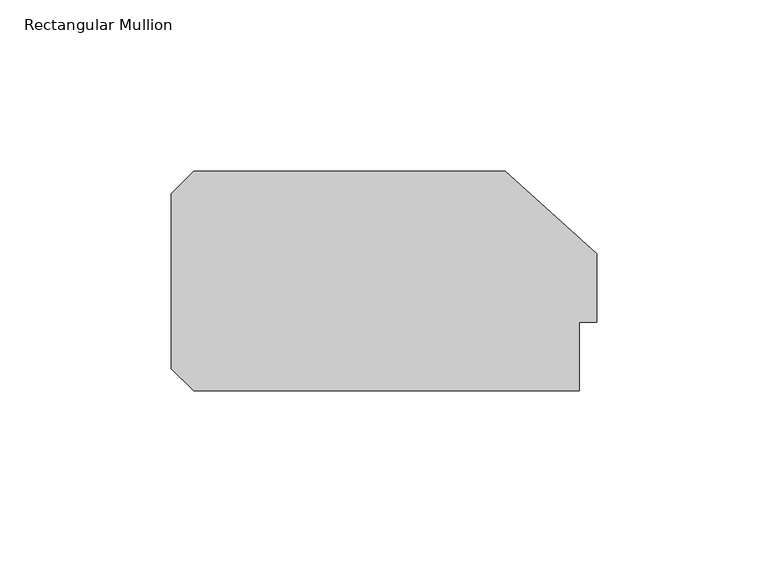
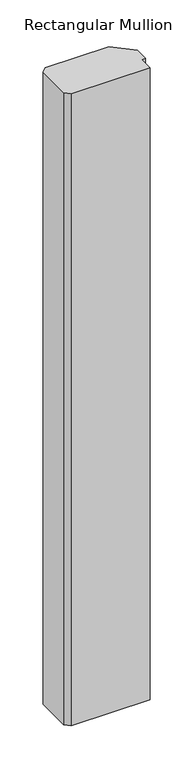
"""IFC4 building model written with IfcOpenShell, lengths in millimetres: member geometry, Rectangular Mullion."""

from ifc_helpers import new_model, si_unit, frame, origin, place, context, project, spatial, polyline, outline, extrude, source, transform, mapped, element, save


def rectangular_mullion_cd25a5a5(model_context):
    return source(origin(), model_context, "Body", "SweptSolid", [
        extrude(outline(polyline([(-5.0, 20.0), (-5.0, 0.0), (-117.5, 0.0), (-124.0, 6.5), (-124.0, 57.5), (-117.5, 64.0), (-26.6547004, 64.0), (0.0, 40.0), (0.0, 20.0), (-5.0, 20.0)])), frame((0.0, 0.0, -949.9999999), z_axis=(0.0, 0.0, 1.0), x_axis=(1.0, 0.0, 0.0)), (0.0, 0.0, 1.0), 949.9999999),
    ])


if __name__ == "__main__":
    model = new_model("IFC4")
    model_context = context("Model", 3, world=origin())
    ifc_project = project(units=[si_unit("LENGTHUNIT", "METRE", prefix="MILLI")], contexts=[model_context])
    site = spatial("IfcSite", under=ifc_project)
    building = spatial("IfcBuilding", under=site)
    placement = place(None, origin())
    rectangular_mullion_shape = rectangular_mullion_cd25a5a5(model_context)
    element("IfcMember", 1, ObjectType="Rectangular Mullion", at=placement, inside=building, context=model_context, shape_type="MappedRepresentation", body=[
        mapped(rectangular_mullion_shape, transform((0.0, 0.0, 0.0), x_axis=(1.0, 0.0, 0.0), y_axis=(0.0, 1.0, 0.0), z_axis=(0.0, 0.0, 1.0))),
    ])
    save(model, "model.ifc")
